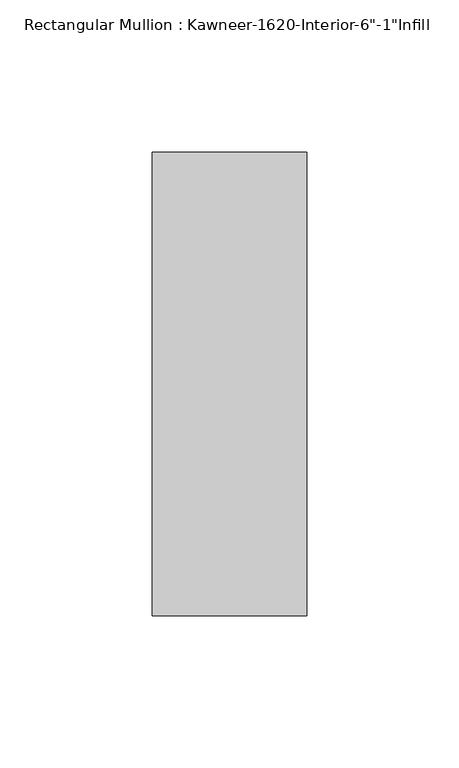
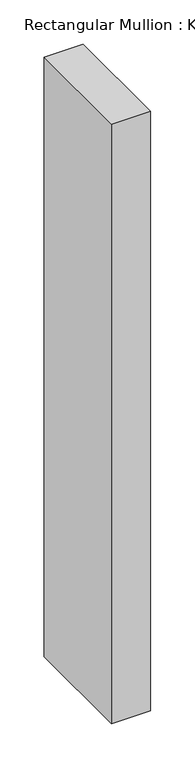
"""IFC4 building model written with IfcOpenShell, lengths in millimetres: member geometry."""

from ifc_helpers import new_model, si_unit, frame, origin, place, context, project, spatial, polyline, outline, extrude, source, transform, mapped, element, save


def member_197e2004(model_context):
    return source(origin(), model_context, "Body", "SweptSolid", [
        extrude(outline(polyline([(25.4, -114.3), (-25.4, -114.3), (-25.4, 38.1), (25.4, 38.1), (25.4, -114.3)])), frame((0.0, 0.0, -825.5), z_axis=(0.0, 0.0, 1.0), x_axis=(1.0, 0.0, 0.0)), (0.0, 0.0, 1.0), 825.5),
    ])


if __name__ == "__main__":
    model = new_model("IFC4")
    model_context = context("Model", 3, world=origin())
    ifc_project = project(units=[si_unit("LENGTHUNIT", "METRE", prefix="MILLI")], contexts=[model_context])
    site = spatial("IfcSite", under=ifc_project)
    building = spatial("IfcBuilding", under=site)
    placement = place(None, origin())
    member_shape = member_197e2004(model_context)
    element("IfcMember", 1, ObjectType="Rectangular Mullion : Kawneer-1620-Interior-6\"-1\"Infill", at=placement, inside=building, context=model_context, shape_type="MappedRepresentation", body=[
        mapped(member_shape, transform((0.0, 0.0, 0.0), x_axis=(1.0, 0.0, 0.0), y_axis=(0.0, 1.0, 0.0), z_axis=(0.0, 0.0, 1.0))),
    ])
    save(model, "model.ifc")
